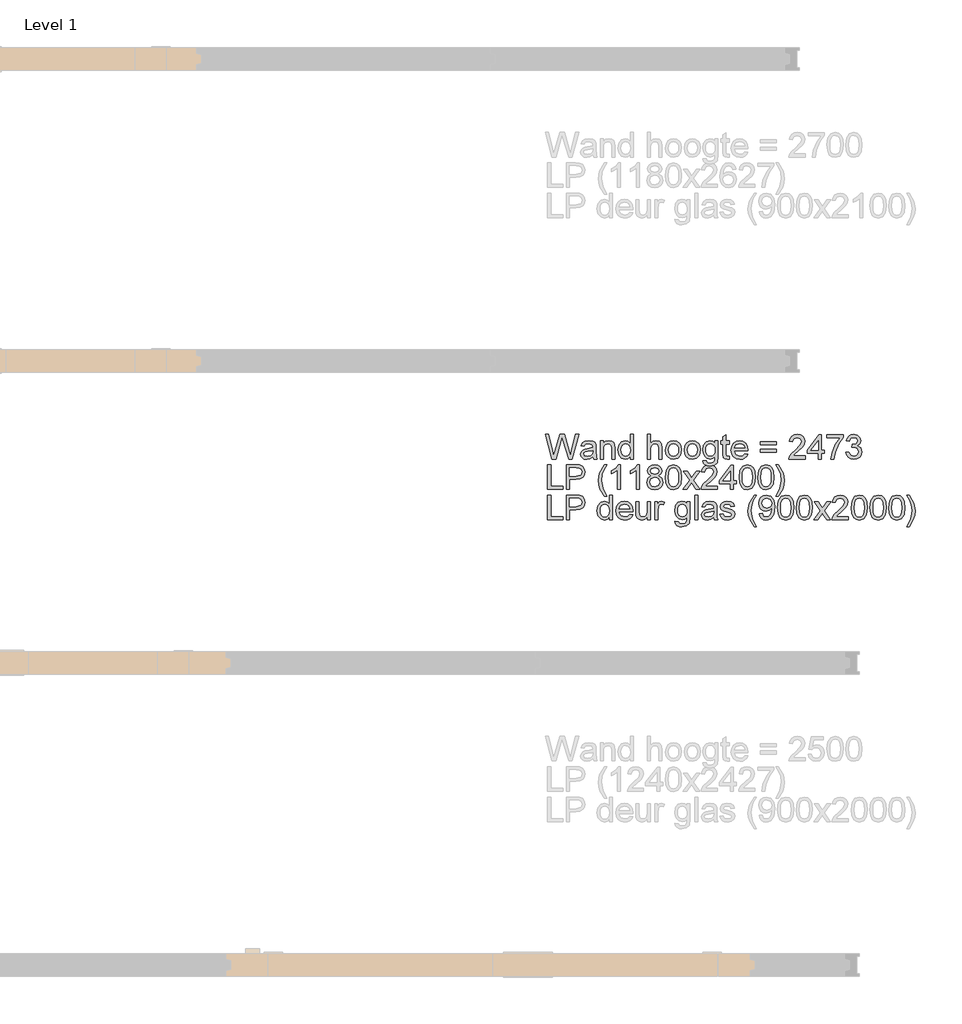
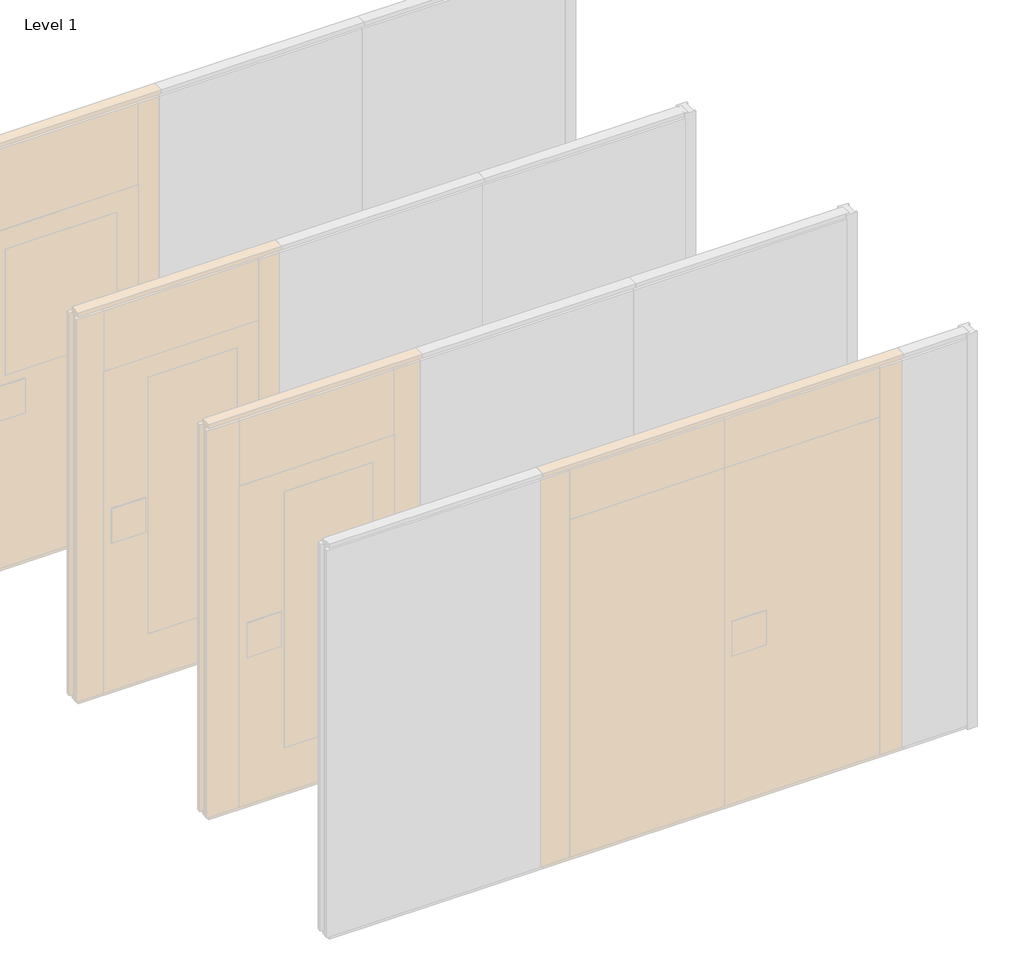
# One storey, part 13 of 17: 1 proxy.
"""IFC4 building model written with IfcOpenShell, lengths in millimetres."""

import ifcopenshell
import ifcopenshell.guid

model = None  # the IFC model being written
_history = None  # IfcOwnerHistory: only IFC2X3 demands one
_inside = {}  # id of a spatial element -> (the spatial element, [elements in it])
_under = {}  # id of a project, library or spatial element -> (it, [spatial elements below it])
_declared = {}  # id of a project -> (the project, [libraries it declares])
_typed = {}  # id of a type object -> (the type object, [elements of that type])
_made_of = {}  # id of a material, layer set ... -> (it, [elements and type objects made of it])


def new_model(schema):
    """Start an empty IFC model of exactly this schema.

    Asked for "IFC4X3", IfcOpenShell would pick the latest addendum, in which some entities
    have other attributes; the version numbers below select the first issue.
    IFC2X3 requires an IfcOwnerHistory on every rooted entity: one is made here for all.
    """
    global model, _history
    if schema == "IFC4X3":
        model = ifcopenshell.file(schema_version=(4, 3, 0, 0))
    else:
        model = ifcopenshell.file(schema=schema)
    _inside.clear()
    _under.clear()
    _declared.clear()
    _typed.clear()
    _made_of.clear()
    _history = None
    if model.schema == "IFC2X3":
        org = make("IfcOrganization", Name="unknown")
        user = make(
            "IfcPersonAndOrganization",
            ThePerson=make("IfcPerson", FamilyName="unknown"),
            TheOrganization=org,
        )
        app = make(
            "IfcApplication",
            ApplicationDeveloper=org,
            Version="unknown",
            ApplicationFullName="unknown",
            ApplicationIdentifier="unknown",
        )
        _history = make(
            "IfcOwnerHistory",
            OwningUser=user,
            OwningApplication=app,
            ChangeAction="ADDED",
            CreationDate=0,
        )
    return model


def make(cls, **values):
    """One entity of the class cls with the attributes given. An attribute that is None is left unset."""
    return model.create_entity(
        cls, **{name: value for name, value in values.items() if value is not None}
    )


def rooted(cls, **values):
    """An entity with a GlobalId (a new one), such as an element, a storey or a relation."""
    return make(cls, GlobalId=ifcopenshell.guid.new(), OwnerHistory=_history, **values)


def si_unit(unit_type, name, prefix=None):
    """IfcSIUnit, for example si_unit("LENGTHUNIT", "METRE", prefix="MILLI")."""
    return make("IfcSIUnit", UnitType=unit_type, Prefix=prefix, Name=name)


def assignment(units):
    """IfcUnitAssignment: the units of a project."""
    return None if units is None else make("IfcUnitAssignment", Units=units)


def point(xyz):
    """IfcCartesianPoint."""
    return None if xyz is None else make("IfcCartesianPoint", Coordinates=xyz)


def direction(xyz):
    """IfcDirection."""
    return None if xyz is None else make("IfcDirection", DirectionRatios=xyz)


def frame(location, z_axis=None, x_axis=None):
    """IfcAxis2Placement3D, a coordinate frame: its origin and axes. An axis left out is left unset."""
    return make(
        "IfcAxis2Placement3D",
        Location=point(location),
        Axis=direction(z_axis),
        RefDirection=direction(x_axis),
    )


def origin():
    """The frame at (0, 0, 0) with its axes left unset."""
    return frame((0.0, 0.0, 0.0))


def origin_with_axes():
    """The frame at (0, 0, 0) with the z axis (0, 0, 1) and the x axis (1, 0, 0) written out."""
    return frame((0.0, 0.0, 0.0), z_axis=(0.0, 0.0, 1.0), x_axis=(1.0, 0.0, 0.0))


def place(relative_to, where):
    """IfcLocalPlacement: puts the frame where relative to a parent placement (None: the world)."""
    return make(
        "IfcLocalPlacement", PlacementRelTo=relative_to, RelativePlacement=where
    )


def context(
    kind, dimensions, precision=None, world=None, true_north=None, identifier=None
):
    """IfcGeometricRepresentationContext, for example the 3D "Model" context."""
    return make(
        "IfcGeometricRepresentationContext",
        ContextIdentifier=identifier,
        ContextType=kind,
        CoordinateSpaceDimension=dimensions,
        Precision=precision,
        WorldCoordinateSystem=world,
        TrueNorth=true_north,
    )


def project(units=None, contexts=None):
    """IfcProject with its units and contexts."""
    return rooted(
        "IfcProject",
        Name="project",
        RepresentationContexts=contexts,
        UnitsInContext=assignment(units),
    )


def spatial(cls, under=None, at=None, **own):
    """A site, building, storey or space (cls), placed at a placement, below another one or the project."""
    s = rooted(cls, ObjectPlacement=at, **own)
    if under is not None:
        _under.setdefault(under.id(), (under, []))[1].append(s)
    return s


def polyline(points):
    """IfcPolyline through the points."""
    return make("IfcPolyline", Points=[point(p) for p in points])


def outline(outer, holes=None, kind="AREA"):
    """IfcArbitraryClosedProfileDef: a profile drawn as a closed curve; with holes, ...WithVoids."""
    if holes is None:
        return make("IfcArbitraryClosedProfileDef", ProfileType=kind, OuterCurve=outer)
    return make(
        "IfcArbitraryProfileDefWithVoids",
        ProfileType=kind,
        OuterCurve=outer,
        InnerCurves=holes,
    )


def extrude(swept, where, along, depth):
    """IfcExtrudedAreaSolid: the profile swept, set in the frame where, extruded along a direction by depth."""
    return make(
        "IfcExtrudedAreaSolid",
        SweptArea=swept,
        Position=where,
        ExtrudedDirection=direction(along),
        Depth=depth,
    )


def shape(context_of_items, identifier, shape_type, items):
    """IfcShapeRepresentation: the items that make up one representation, for example the "Body"."""
    return make(
        "IfcShapeRepresentation",
        ContextOfItems=context_of_items,
        RepresentationIdentifier=identifier,
        RepresentationType=shape_type,
        Items=items,
    )


def made_of(thing, what):
    """Note that an element or type object is made of a material, layer set ...; save() writes the relation."""
    if what is not None:
        _made_of.setdefault(what.id(), (what, []))[1].append(thing)
    return thing


def element(
    cls,
    number,
    at=None,
    inside=None,
    cuts=None,
    type_object=None,
    material=None,
    context=None,
    identifier="Body",
    shape_type=None,
    held_by="IfcProductDefinitionShape",
    body=None,
    shapes=None,
    **own,
):
    """One element of the class cls, such as IfcWall. Its Tag is "e" and its number.

    at: its placement. inside: the storey or other place that contains it. cuts: it is an
    opening in that element (IfcRelVoidsElement). A single representation is given by context,
    identifier, shape_type and body (its items); several are given by shapes. held_by: the class
    of the entity that holds the representations. save() writes the other relations.
    """
    e = rooted(cls, Tag="e%d" % number, ObjectPlacement=at, **own)
    if body is not None:
        shapes = [shape(context, identifier, shape_type, body)]
    if shapes is not None:
        e.Representation = make(held_by, Representations=shapes)
    if inside is not None:
        _inside.setdefault(inside.id(), (inside, []))[1].append(e)
    if cuts is not None:
        rooted(
            "IfcRelVoidsElement", RelatingBuildingElement=cuts, RelatedOpeningElement=e
        )
    if type_object is not None:
        _typed.setdefault(type_object.id(), (type_object, []))[1].append(e)
    return made_of(e, material)


def aggregate(whole, parts):
    """IfcRelAggregates: a whole, such as a stair, and the parts it consists of."""
    return rooted("IfcRelAggregates", RelatingObject=whole, RelatedObjects=parts)


def save(model, path):
    """Write the relations noted so far, then the file.

    IfcRelAggregates (storeys below a building ...), IfcRelContainedInSpatialStructure (elements
    in a storey), IfcRelDefinesByType, IfcRelAssociatesMaterial and IfcRelDeclares: one each for
    every whole, place, type object, material and project.
    """
    for whole, parts in _under.values():
        aggregate(whole, parts)
    for where, things in _inside.values():
        rooted(
            "IfcRelContainedInSpatialStructure",
            RelatedElements=things,
            RelatingStructure=where,
        )
    for kind, things in _typed.values():
        rooted("IfcRelDefinesByType", RelatedObjects=things, RelatingType=kind)
    for what, things in _made_of.values():
        rooted("IfcRelAssociatesMaterial", RelatedObjects=things, RelatingMaterial=what)
    for by, libraries in _declared.values():
        rooted("IfcRelDeclares", RelatingContext=by, RelatedDefinitions=libraries)
    model.write(path)


model = new_model("IFC4")

# Units and contexts
model_context = context("Model", 3, world=origin())
ifc_project = project(units=[si_unit("LENGTHUNIT", "METRE", prefix="MILLI")], contexts=[model_context])

# Site, building, storey
site = spatial("IfcSite", under=ifc_project)
building = spatial("IfcBuilding", under=site)
storey = spatial("IfcBuildingStorey", under=building, Name="Level 1", Elevation=0.0)

# Proxy
placement = place(None, origin())
element("IfcBuildingElementProxy", 1, Name="100 mm", ObjectType="100 mm", at=placement, inside=storey, context=model_context, shape_type="SweptSolid", body=[
    extrude(outline(polyline([(-2181.5016279, 1702.9102169), (-2208.3525894, 1801.3717554), (-2195.6602817, 1801.3717554), (-2180.0833587, 1736.6602169), (-2175.2756664, 1716.6842554), (-2170.1314356, 1734.3525246), (-2150.6122048, 1801.3717554), (-2132.3189356, 1801.3717554), (-2118.1362433, 1752.7900246), (-2107.5833587, 1716.6842554), (-2102.9198971, 1736.0832938), (-2087.1987433, 1801.3717554), (-2074.5064356, 1801.3717554), (-2101.3814356, 1702.9102169), (-2114.530474, 1702.9102169), (-2138.1362433, 1778.8717554), (-2141.4295125, 1789.4727169), (-2145.1314356, 1776.7082938), (-2166.6458587, 1702.9102169), (-2181.5016279, 1702.9102169)])), origin_with_axes(), (0.0, 0.0, 1.0), 5.0),
    extrude(outline(polyline([(-2017.5833587, 1712.1409861), (-2029.5184548, 1703.79964), (-2042.703551, 1701.3717554), (-2052.9890077, 1702.8320919), (-2060.5761471, 1707.2131015), (-2065.2546327, 1713.8657457), (-2066.8141279, 1722.1409861), (-2064.4583587, 1731.8765631), (-2058.2684548, 1738.9438707), (-2049.6506664, 1742.9823323), (-2039.0016279, 1744.8332938), (-2017.655474, 1749.0640631), (-2017.5833587, 1751.8044477), (-2020.9727817, 1760.8909861), (-2034.578551, 1764.4486784), (-2047.030474, 1762.08089), (-2052.967974, 1753.6794477), (-2065.2756664, 1755.2179092), (-2059.9511471, 1767.23714), (-2049.2299933, 1774.2804092), (-2032.9920125, 1776.7563707), (-2018.0761471, 1774.5688707), (-2009.6506664, 1769.0760823), (-2005.8766279, 1760.7227169), (-2005.2756664, 1749.9534861), (-2005.2756664, 1734.6409861), (-2004.6506664, 1713.2587746), (-2002.1987433, 1702.9102169), (-2014.5064356, 1702.9102169), (-2017.5833587, 1712.1409861)]), holes=[polyline([(-2017.5833587, 1736.7563707), (-2037.4391279, 1732.9823323), (-2048.0280702, 1730.98714), (-2052.8237433, 1727.7419477), (-2054.5064356, 1723.0063707), (-2050.8405702, 1716.3477169), (-2040.0833587, 1713.6794477), (-2027.6314356, 1716.6241592), (-2019.6025894, 1723.7515631), (-2017.655474, 1733.2707938), (-2017.5833587, 1736.7563707)])]), origin_with_axes(), (0.0, 0.0, 1.0), 5.0),
    extrude(outline(polyline([(-1988.3525894, 1702.9102169), (-1988.3525894, 1775.2179092), (-1976.0448971, 1775.2179092), (-1976.0448971, 1765.1217554), (-1966.6338394, 1773.8477169), (-1953.7852817, 1776.7563707), (-1942.1626856, 1774.4126207), (-1934.2299933, 1768.2587746), (-1930.5400894, 1759.2082938), (-1929.891051, 1747.3092554), (-1929.891051, 1702.9102169), (-1942.1987433, 1702.9102169), (-1942.1987433, 1745.6506015), (-1943.6170125, 1756.5400246), (-1948.6290317, 1762.2972361), (-1957.078551, 1764.4486784), (-1970.4319164, 1759.6169477), (-1974.6416519, 1752.6157457), (-1976.0448971, 1741.2756015), (-1976.0448971, 1702.9102169), (-1988.3525894, 1702.9102169)])), origin_with_axes(), (0.0, 0.0, 1.0), 5.0),
    extrude(outline(polyline([(-1868.3525894, 1702.9102169), (-1868.3525894, 1714.5207938), (-1876.4956183, 1704.659015), (-1887.7516279, 1701.3717554), (-1902.9920125, 1706.1313707), (-1913.7612433, 1719.4126207), (-1917.5833587, 1738.9919477), (-1914.061724, 1758.5832938), (-1903.5088394, 1772.0688707), (-1887.7997048, 1776.7563707), (-1876.453551, 1773.4030054), (-1868.3525894, 1764.6890631), (-1868.3525894, 1801.3717554), (-1856.0448971, 1801.3717554), (-1856.0448971, 1702.9102169), (-1868.3525894, 1702.9102169)]), holes=[polyline([(-1905.2756664, 1739.0400246), (-1903.8874452, 1727.9072121), (-1899.7227817, 1719.9895438), (-1893.671099, 1715.2569717), (-1886.6218202, 1713.6794477), (-1879.5755462, 1715.1848563), (-1873.6771087, 1719.7010823), (-1869.6837192, 1727.3122602), (-1868.3525894, 1738.1025246), (-1869.7077577, 1749.8993996), (-1873.7732625, 1758.0784861), (-1879.8219404, 1762.8561304), (-1887.1266279, 1764.4486784), (-1894.2480221, 1762.9192313), (-1900.0833587, 1758.33089), (-1903.9775894, 1750.4492794), (-1905.2756664, 1739.0400246)])]), origin_with_axes(), (0.0, 0.0, 1.0), 5.0),
    extrude(outline(polyline([(-1799.1218202, 1702.9102169), (-1799.1218202, 1801.3717554), (-1786.8141279, 1801.3717554), (-1786.8141279, 1765.1698323), (-1777.2167721, 1773.8597361), (-1765.3958587, 1776.7563707), (-1751.5737433, 1773.5953131), (-1743.1843202, 1764.8573323), (-1740.6602817, 1748.6794477), (-1740.6602817, 1702.9102169), (-1752.967974, 1702.9102169), (-1752.967974, 1747.4054092), (-1756.8862433, 1760.3861784), (-1767.9920125, 1764.4486784), (-1778.0761471, 1761.7082938), (-1784.8069164, 1754.2804092), (-1786.8141279, 1741.3236784), (-1786.8141279, 1702.9102169), (-1799.1218202, 1702.9102169)])), origin_with_axes(), (0.0, 0.0, 1.0), 5.0),
    extrude(outline(polyline([(-1726.8141279, 1739.0640631), (-1724.1518683, 1756.4979573), (-1716.1650894, 1768.7515631), (-1706.297301, 1774.7551688), (-1694.4823971, 1776.7563707), (-1681.5527096, 1774.3194717), (-1671.2251856, 1767.0087746), (-1664.4553539, 1755.4012025), (-1662.1987433, 1740.0736784), (-1666.1891279, 1718.17464), (-1677.811724, 1705.7828131), (-1694.4823971, 1701.3717554), (-1707.5683346, 1703.79964), (-1717.8838394, 1711.0832938), (-1724.5815558, 1722.9342554), (-1726.8141279, 1739.0640631)]), holes=[polyline([(-1714.5064356, 1739.0881015), (-1713.0821567, 1727.9492794), (-1708.8093202, 1720.0135823), (-1702.3790317, 1715.2629813), (-1694.4823971, 1713.6794477), (-1686.6218202, 1715.2719957), (-1680.203551, 1720.04964), (-1675.9307144, 1728.0905054), (-1674.5064356, 1739.4727169), (-1675.9397289, 1750.2870198), (-1680.2396087, 1758.1145438), (-1686.6668923, 1762.8651448), (-1694.4823971, 1764.4486784), (-1702.3790317, 1762.8711544), (-1708.8093202, 1758.1385823), (-1713.0821567, 1750.220914), (-1714.5064356, 1739.0881015)])]), origin_with_axes(), (0.0, 0.0, 1.0), 5.0),
    extrude(outline(polyline([(-1651.4295125, 1739.0640631), (-1648.7672529, 1756.4979573), (-1640.780474, 1768.7515631), (-1630.9126856, 1774.7551688), (-1619.0977817, 1776.7563707), (-1606.1680942, 1774.3194717), (-1595.8405702, 1767.0087746), (-1589.0707385, 1755.4012025), (-1586.8141279, 1740.0736784), (-1590.8045125, 1718.17464), (-1602.4271087, 1705.7828131), (-1619.0977817, 1701.3717554), (-1632.1837192, 1703.79964), (-1642.499224, 1711.0832938), (-1649.1969404, 1722.9342554), (-1651.4295125, 1739.0640631)]), holes=[polyline([(-1639.1218202, 1739.0881015), (-1637.6975414, 1727.9492794), (-1633.4247048, 1720.0135823), (-1626.9944164, 1715.2629813), (-1619.0977817, 1713.6794477), (-1611.2372048, 1715.2719957), (-1604.8189356, 1720.04964), (-1600.546099, 1728.0905054), (-1599.1218202, 1739.4727169), (-1600.5551135, 1750.2870198), (-1604.8549933, 1758.1145438), (-1611.2822769, 1762.8651448), (-1619.0977817, 1764.4486784), (-1626.9944164, 1762.8711544), (-1633.4247048, 1758.1385823), (-1637.6975414, 1750.220914), (-1639.1218202, 1739.0881015)])]), origin_with_axes(), (0.0, 0.0, 1.0), 5.0),
    extrude(outline(polyline([(-1576.0448971, 1696.7563707), (-1563.7372048, 1695.2179092), (-1559.7468202, 1688.7275246), (-1547.7997048, 1685.98714), (-1535.203551, 1689.0881015), (-1529.1939356, 1697.7900246), (-1528.3525894, 1712.1409861), (-1537.0184548, 1705.2179092), (-1547.5833587, 1702.9102169), (-1560.2726615, 1705.596515), (-1569.734801, 1713.6554092), (-1575.6212192, 1725.4703131), (-1577.5833587, 1739.42464), (-1574.061724, 1758.4991592), (-1563.8694164, 1771.9967554), (-1548.1843202, 1776.7563707), (-1537.2047529, 1774.0640631), (-1528.3525894, 1765.98714), (-1528.3525894, 1775.2179092), (-1516.0448971, 1775.2179092), (-1516.0448971, 1712.7900246), (-1519.4102817, 1688.8837746), (-1530.0713394, 1677.7659861), (-1548.0400894, 1673.6794477), (-1559.4914115, 1675.1187506), (-1568.5088394, 1679.4366592), (-1574.2930942, 1686.6451929), (-1576.0448971, 1696.7563707)]), holes=[polyline([(-1565.2756664, 1740.2659861), (-1563.9625654, 1728.9769236), (-1560.0232625, 1721.2155054), (-1554.1007865, 1716.7173082), (-1546.8381664, 1715.2179092), (-1539.6296327, 1716.7082938), (-1533.6771087, 1721.1794477), (-1529.6837192, 1728.8417073), (-1528.3525894, 1739.9054092), (-1529.7227817, 1750.5754813), (-1533.8333587, 1758.2587746), (-1539.8730221, 1762.9012025), (-1547.030474, 1764.4486784), (-1554.0587192, 1762.9252409), (-1559.9511471, 1758.3549284), (-1563.9445365, 1750.7858179), (-1565.2756664, 1740.2659861)])]), origin_with_axes(), (0.0, 0.0, 1.0), 5.0),
    extrude(outline(polyline([(-1471.4295125, 1713.17464), (-1469.891051, 1702.54964), (-1479.0977817, 1701.3717554), (-1489.4102817, 1703.4150246), (-1494.5545125, 1708.7756015), (-1496.0448971, 1722.7419477), (-1496.0448971, 1762.9102169), (-1505.2756664, 1762.9102169), (-1505.2756664, 1775.2179092), (-1496.0448971, 1775.2179092), (-1496.0448971, 1792.7900246), (-1483.7372048, 1800.0256015), (-1483.7372048, 1775.2179092), (-1471.4295125, 1775.2179092), (-1471.4295125, 1762.9102169), (-1483.7372048, 1762.9102169), (-1483.7372048, 1723.1025246), (-1483.0881664, 1716.7563707), (-1480.984801, 1714.5087746), (-1476.7900894, 1713.6794477), (-1471.4295125, 1713.17464)])), origin_with_axes(), (0.0, 0.0, 1.0), 5.0),
    extrude(outline(polyline([(-1408.4968202, 1724.4486784), (-1396.4295125, 1722.9102169), (-1400.7774692, 1713.8176688), (-1407.7155702, 1707.0207938), (-1417.0875654, 1702.784015), (-1428.7372048, 1701.3717554), (-1443.1783106, 1703.8086544), (-1454.2900894, 1711.1193515), (-1461.375426, 1722.8290871), (-1463.7372048, 1738.4631015), (-1461.3513875, 1754.6229573), (-1454.1939356, 1766.7082938), (-1443.2323971, 1774.2443515), (-1429.4343202, 1776.7563707), (-1416.0659308, 1774.2503611), (-1405.3838394, 1766.7323323), (-1398.3796327, 1754.6710342), (-1396.0448971, 1738.5352169), (-1396.1170125, 1735.2179092), (-1451.4295125, 1735.2179092), (-1449.2991039, 1726.0051688), (-1444.3501856, 1719.2323323), (-1428.4968202, 1713.6794477), (-1416.4295125, 1716.2515631), (-1408.4968202, 1724.4486784)]), holes=[polyline([(-1451.4295125, 1747.5256015), (-1408.3525894, 1747.5256015), (-1413.280474, 1758.6794477), (-1420.4559548, 1763.0063707), (-1429.4823971, 1764.4486784), (-1444.6386471, 1759.8453131), (-1451.4295125, 1747.5256015)])]), origin_with_axes(), (0.0, 0.0, 1.0), 5.0),
    extrude(outline(polyline([(-1282.1987433, 1759.8332938), (-1346.8141279, 1759.8332938), (-1346.8141279, 1772.1409861), (-1282.1987433, 1772.1409861), (-1282.1987433, 1759.8332938)])), origin_with_axes(), (0.0, 0.0, 1.0), 5.0),
    extrude(outline(polyline([(-1282.1987433, 1730.6025246), (-1346.8141279, 1730.6025246), (-1346.8141279, 1742.9102169), (-1282.1987433, 1742.9102169), (-1282.1987433, 1730.6025246)])), origin_with_axes(), (0.0, 0.0, 1.0), 5.0),
    extrude(outline(polyline([(-1166.8141279, 1715.2179092), (-1166.8141279, 1702.9102169), (-1231.4295125, 1702.9102169), (-1230.1073971, 1711.3957938), (-1222.6314356, 1724.4606977), (-1207.2227817, 1738.7275246), (-1185.9727817, 1759.2323323), (-1180.6602817, 1773.17464), (-1185.672301, 1784.4606977), (-1198.7612433, 1789.0640631), (-1212.4030702, 1784.5688707), (-1217.5833587, 1772.1409861), (-1229.891051, 1773.6794477), (-1226.9072769, 1785.5844957), (-1220.4559548, 1794.2804092), (-1210.8736231, 1799.5989188), (-1198.4968202, 1801.3717554), (-1186.0298731, 1799.4006015), (-1176.4655702, 1793.48714), (-1170.3808346, 1784.6530054), (-1168.3525894, 1773.9198323), (-1170.5400894, 1762.2491592), (-1177.811724, 1750.1818515), (-1195.4439356, 1733.3188707), (-1209.6025894, 1721.4799284), (-1215.155474, 1715.2179092), (-1166.8141279, 1715.2179092)])), origin_with_axes(), (0.0, 0.0, 1.0), 5.0),
    extrude(outline(polyline([(-1114.5064356, 1702.9102169), (-1114.5064356, 1725.98714), (-1159.1218202, 1725.98714), (-1159.1218202, 1738.2948323), (-1111.4295125, 1799.8332938), (-1102.1987433, 1799.8332938), (-1102.1987433, 1738.2948323), (-1089.891051, 1738.2948323), (-1089.891051, 1725.98714), (-1102.1987433, 1725.98714), (-1102.1987433, 1702.9102169), (-1114.5064356, 1702.9102169)]), holes=[polyline([(-1114.5064356, 1738.2948323), (-1114.5064356, 1776.3236784), (-1143.9775894, 1738.2948323), (-1114.5064356, 1738.2948323)])]), origin_with_axes(), (0.0, 0.0, 1.0), 5.0),
    extrude(outline(polyline([(-1079.1218202, 1787.5256015), (-1079.1218202, 1799.8332938), (-1014.5064356, 1799.8332938), (-1014.5064356, 1789.8813707), (-1032.8357625, 1763.4030054), (-1046.8622048, 1729.6650246), (-1051.4295125, 1702.9102169), (-1063.7372048, 1702.9102169), (-1058.8453779, 1730.67464), (-1045.4198971, 1762.0568515), (-1026.8141279, 1787.5256015), (-1079.1218202, 1787.5256015)])), origin_with_axes(), (0.0, 0.0, 1.0), 5.0),
    extrude(outline(polyline([(-1003.7372048, 1729.0640631), (-991.4295125, 1730.6025246), (-984.6386471, 1717.6457938), (-971.9343202, 1713.6794477), (-963.4968202, 1715.0436304), (-956.9823971, 1719.1361784), (-951.4295125, 1732.6457938), (-956.9343202, 1745.3741592), (-970.9247048, 1750.4102169), (-979.5545125, 1749.0640631), (-978.1843202, 1761.3717554), (-976.2131664, 1761.2275246), (-962.2468202, 1764.7611784), (-957.5953779, 1769.2443515), (-956.0448971, 1775.6265631), (-960.5400894, 1785.2539669), (-972.1266279, 1789.0640631), (-983.8573971, 1785.2179092), (-989.891051, 1773.6794477), (-1002.1987433, 1775.2179092), (-998.5749452, 1786.2695919), (-992.1266279, 1794.5207938), (-983.3045125, 1799.659015), (-972.5593202, 1801.3717554), (-957.7155702, 1797.9943515), (-947.3309548, 1788.7635823), (-943.7372048, 1776.3477169), (-947.1506664, 1765.0015631), (-957.2468202, 1756.8525246), (-943.8333587, 1748.4390631), (-939.1218202, 1732.4294477), (-941.4775894, 1720.4342554), (-948.5448971, 1710.4102169), (-959.2119644, 1703.6313707), (-972.3670125, 1701.3717554), (-984.266051, 1703.3008419), (-993.953551, 1709.0881015), (-1000.6903298, 1717.940265), (-1003.7372048, 1729.0640631)])), origin_with_axes(), (0.0, 0.0, 1.0), 5.0),
    extrude(outline(polyline([(-2199.1218202, 1581.3717554), (-2199.1218202, 1679.8332938), (-2186.8141279, 1679.8332938), (-2186.8141279, 1593.6794477), (-2137.5833587, 1593.6794477), (-2137.5833587, 1581.3717554), (-2199.1218202, 1581.3717554)])), origin_with_axes(), (0.0, 0.0, 1.0), 5.0),
    extrude(outline(polyline([(-2123.7372048, 1581.3717554), (-2123.7372048, 1679.8332938), (-2087.2468202, 1679.8332938), (-2072.5352817, 1678.8957938), (-2060.5761471, 1674.2924284), (-2052.8237433, 1664.7731977), (-2049.891051, 1651.3477169), (-2051.8712192, 1639.7431496), (-2057.811724, 1630.0736784), (-2068.9204981, 1623.5472361), (-2086.405474, 1621.3717554), (-2111.4295125, 1621.3717554), (-2111.4295125, 1581.3717554), (-2123.7372048, 1581.3717554)]), holes=[polyline([(-2111.4295125, 1633.6794477), (-2085.6843202, 1633.6794477), (-2067.5593202, 1638.1986784), (-2063.5388875, 1643.6373804), (-2062.1987433, 1650.9150246), (-2065.359801, 1661.1073323), (-2073.6650894, 1666.6842554), (-2085.9727817, 1667.5256015), (-2111.4295125, 1667.5256015), (-2111.4295125, 1633.6794477)])]), origin_with_axes(), (0.0, 0.0, 1.0), 5.0),
    extrude(outline(polyline([(-1971.4295125, 1553.6794477), (-1988.905474, 1582.54964), (-1994.2600414, 1599.3885823), (-1996.0448971, 1616.8284861), (-1990.7083587, 1646.7563707), (-1971.4295125, 1679.8332938), (-1962.1987433, 1679.8332938), (-1973.7131664, 1660.3381015), (-1980.6362433, 1641.4438707), (-1983.7372048, 1616.7563707), (-1978.3525894, 1585.20589), (-1962.1987433, 1553.6794477), (-1971.4295125, 1553.6794477)])), origin_with_axes(), (0.0, 0.0, 1.0), 5.0),
    extrude(outline(polyline([(-1906.8141279, 1581.3717554), (-1919.1218202, 1581.3717554), (-1919.1218202, 1658.1025246), (-1930.780474, 1649.7972361), (-1943.7372048, 1643.5832938), (-1943.7372048, 1655.2179092), (-1925.6963394, 1666.7323323), (-1914.7468202, 1679.8332938), (-1906.8141279, 1679.8332938), (-1906.8141279, 1581.3717554)])), origin_with_axes(), (0.0, 0.0, 1.0), 5.0),
    extrude(outline(polyline([(-1831.4295125, 1581.3717554), (-1843.7372048, 1581.3717554), (-1843.7372048, 1658.1025246), (-1855.3958587, 1649.7972361), (-1868.3525894, 1643.5832938), (-1868.3525894, 1655.2179092), (-1850.311724, 1666.7323323), (-1839.3622048, 1679.8332938), (-1831.4295125, 1679.8332938), (-1831.4295125, 1581.3717554)])), origin_with_axes(), (0.0, 0.0, 1.0), 5.0),
    extrude(outline(polyline([(-1784.266051, 1635.6025246), (-1795.4799933, 1643.2467554), (-1799.1218202, 1655.1457938), (-1797.1386471, 1664.7671881), (-1791.1891279, 1672.7179092), (-1781.9403298, 1678.0544477), (-1770.0593202, 1679.8332938), (-1758.1061952, 1678.0123804), (-1748.7372048, 1672.54964), (-1742.6795125, 1664.4727169), (-1740.6602817, 1654.8092554), (-1744.2540317, 1643.2106977), (-1755.155474, 1635.6025246), (-1742.0665317, 1625.9510823), (-1737.5833587, 1610.0256015), (-1739.8069164, 1598.2587746), (-1746.4775894, 1588.5352169), (-1756.7780702, 1582.0087746), (-1769.891051, 1579.8332938), (-1783.0040317, 1582.017789), (-1793.3045125, 1588.5712746), (-1799.9751856, 1598.3879813), (-1802.1987433, 1610.36214), (-1797.5352817, 1626.6602169), (-1784.266051, 1635.6025246)]), holes=[polyline([(-1789.891051, 1610.7948323), (-1787.8357625, 1601.5280054), (-1780.5641279, 1594.5929092), (-1769.7948971, 1592.1409861), (-1755.1314356, 1597.2972361), (-1749.891051, 1610.4102169), (-1755.2997048, 1623.7756015), (-1761.7299933, 1627.7419477), (-1770.203551, 1629.0640631), (-1784.686724, 1623.8477169), (-1789.891051, 1610.7948323)]), polyline([(-1786.8141279, 1654.7852169), (-1782.4511471, 1645.1217554), (-1769.7468202, 1641.3717554), (-1757.2948971, 1645.0977169), (-1752.967974, 1654.2323323), (-1757.4391279, 1663.6914669), (-1769.891051, 1667.5256015), (-1782.3790317, 1663.7756015), (-1786.8141279, 1654.7852169)])]), origin_with_axes(), (0.0, 0.0, 1.0), 5.0),
    extrude(outline(polyline([(-1726.8141279, 1629.8092554), (-1723.1963394, 1658.1385823), (-1712.4511471, 1674.4727169), (-1694.5064356, 1679.8332938), (-1680.1314356, 1676.6602169), (-1670.203551, 1667.5135823), (-1664.4343202, 1652.9462746), (-1662.1987433, 1629.8092554), (-1665.780474, 1601.6001207), (-1676.4896087, 1585.2299284), (-1694.5064356, 1579.8332938), (-1707.2948971, 1582.1770438), (-1717.0064356, 1589.2082938), (-1724.3622048, 1605.8609381), (-1726.8141279, 1629.8092554)]), holes=[polyline([(-1714.5064356, 1629.8332938), (-1713.0641279, 1610.4733179), (-1708.7372048, 1599.26839), (-1702.2948971, 1593.9228371), (-1694.5064356, 1592.1409861), (-1686.717974, 1593.9288467), (-1680.2756664, 1599.2924284), (-1675.9487433, 1610.5033659), (-1674.5064356, 1629.8332938), (-1675.9006664, 1648.7575727), (-1680.0833587, 1660.04964), (-1686.5136471, 1665.6566111), (-1694.6506664, 1667.5256015), (-1702.3549933, 1665.8789669), (-1708.5448971, 1660.9390631), (-1713.016051, 1648.9438707), (-1714.5064356, 1629.8332938)])]), origin_with_axes(), (0.0, 0.0, 1.0), 5.0),
    extrude(outline(polyline([(-1656.0448971, 1581.3717554), (-1629.7468202, 1617.7179092), (-1654.5064356, 1653.6794477), (-1639.6987433, 1653.6794477), (-1627.7516279, 1636.3717554), (-1622.1747048, 1628.1986784), (-1617.342974, 1634.8813707), (-1603.7372048, 1653.6794477), (-1588.9295125, 1653.6794477), (-1614.9391279, 1617.7179092), (-1589.891051, 1581.3717554), (-1604.6987433, 1581.3717554), (-1619.7708587, 1603.2227169), (-1622.5352817, 1607.2131015), (-1641.2372048, 1581.3717554), (-1656.0448971, 1581.3717554)])), origin_with_axes(), (0.0, 0.0, 1.0), 5.0),
    extrude(outline(polyline([(-1519.1218202, 1593.6794477), (-1519.1218202, 1581.3717554), (-1583.7372048, 1581.3717554), (-1582.4150894, 1589.8573323), (-1574.9391279, 1602.9222361), (-1559.530474, 1617.1890631), (-1538.280474, 1637.6938707), (-1532.967974, 1651.6361784), (-1537.9799933, 1662.9222361), (-1551.0689356, 1667.5256015), (-1564.7107625, 1663.0304092), (-1569.891051, 1650.6025246), (-1582.1987433, 1652.1409861), (-1579.2149692, 1664.0460342), (-1572.7636471, 1672.7419477), (-1563.1813154, 1678.0604573), (-1550.8045125, 1679.8332938), (-1538.3375654, 1677.86214), (-1528.7732625, 1671.9486784), (-1522.6885269, 1663.1145438), (-1520.6602817, 1652.3813707), (-1522.8477817, 1640.7106977), (-1530.1194164, 1628.64339), (-1547.7516279, 1611.7804092), (-1561.9102817, 1599.9414669), (-1567.4631664, 1593.6794477), (-1519.1218202, 1593.6794477)])), origin_with_axes(), (0.0, 0.0, 1.0), 5.0),
    extrude(outline(polyline([(-1466.8141279, 1581.3717554), (-1466.8141279, 1604.4486784), (-1511.4295125, 1604.4486784), (-1511.4295125, 1616.7563707), (-1463.7372048, 1678.2948323), (-1454.5064356, 1678.2948323), (-1454.5064356, 1616.7563707), (-1442.1987433, 1616.7563707), (-1442.1987433, 1604.4486784), (-1454.5064356, 1604.4486784), (-1454.5064356, 1581.3717554), (-1466.8141279, 1581.3717554)]), holes=[polyline([(-1466.8141279, 1616.7563707), (-1466.8141279, 1654.7852169), (-1496.2852817, 1616.7563707), (-1466.8141279, 1616.7563707)])]), origin_with_axes(), (0.0, 0.0, 1.0), 5.0),
    extrude(outline(polyline([(-1431.4295125, 1629.8092554), (-1427.811724, 1658.1385823), (-1417.0665317, 1674.4727169), (-1399.1218202, 1679.8332938), (-1384.7468202, 1676.6602169), (-1374.8189356, 1667.5135823), (-1369.0497048, 1652.9462746), (-1366.8141279, 1629.8092554), (-1370.3958587, 1601.6001207), (-1381.1049933, 1585.2299284), (-1399.1218202, 1579.8332938), (-1411.9102817, 1582.1770438), (-1421.6218202, 1589.2082938), (-1428.9775894, 1605.8609381), (-1431.4295125, 1629.8092554)]), holes=[polyline([(-1419.1218202, 1629.8332938), (-1417.6795125, 1610.4733179), (-1413.3525894, 1599.26839), (-1406.9102817, 1593.9228371), (-1399.1218202, 1592.1409861), (-1391.3333587, 1593.9288467), (-1384.891051, 1599.2924284), (-1380.5641279, 1610.5033659), (-1379.1218202, 1629.8332938), (-1380.516051, 1648.7575727), (-1384.6987433, 1660.04964), (-1391.1290317, 1665.6566111), (-1399.266051, 1667.5256015), (-1406.9703779, 1665.8789669), (-1413.1602817, 1660.9390631), (-1417.6314356, 1648.9438707), (-1419.1218202, 1629.8332938)])]), origin_with_axes(), (0.0, 0.0, 1.0), 5.0),
    extrude(outline(polyline([(-1356.0448971, 1629.8092554), (-1352.4271087, 1658.1385823), (-1341.6819164, 1674.4727169), (-1323.7372048, 1679.8332938), (-1309.3622048, 1676.6602169), (-1299.4343202, 1667.5135823), (-1293.6650894, 1652.9462746), (-1291.4295125, 1629.8092554), (-1295.0112433, 1601.6001207), (-1305.7203779, 1585.2299284), (-1323.7372048, 1579.8332938), (-1336.5256664, 1582.1770438), (-1346.2372048, 1589.2082938), (-1353.592974, 1605.8609381), (-1356.0448971, 1629.8092554)]), holes=[polyline([(-1343.7372048, 1629.8332938), (-1342.2948971, 1610.4733179), (-1337.967974, 1599.26839), (-1331.5256664, 1593.9228371), (-1323.7372048, 1592.1409861), (-1315.9487433, 1593.9288467), (-1309.5064356, 1599.2924284), (-1305.1795125, 1610.5033659), (-1303.7372048, 1629.8332938), (-1305.1314356, 1648.7575727), (-1309.3141279, 1660.04964), (-1315.7444164, 1665.6566111), (-1323.8814356, 1667.5256015), (-1331.5857625, 1665.8789669), (-1337.7756664, 1660.9390631), (-1342.2468202, 1648.9438707), (-1343.7372048, 1629.8332938)])]), origin_with_axes(), (0.0, 0.0, 1.0), 5.0),
    extrude(outline(polyline([(-1274.5064356, 1553.6794477), (-1283.7372048, 1553.6794477), (-1267.5833587, 1585.20589), (-1262.1987433, 1616.7563707), (-1265.2997048, 1641.2275246), (-1272.1506664, 1660.1457938), (-1283.7372048, 1679.8332938), (-1274.5064356, 1679.8332938), (-1255.2275894, 1646.7563707), (-1249.891051, 1616.8284861), (-1251.6849212, 1599.3885823), (-1257.0665317, 1582.54964), (-1274.5064356, 1553.6794477)])), origin_with_axes(), (0.0, 0.0, 1.0), 5.0),
    extrude(outline(polyline([(-2199.1218202, 1459.8332938), (-2199.1218202, 1558.2948323), (-2186.8141279, 1558.2948323), (-2186.8141279, 1472.1409861), (-2137.5833587, 1472.1409861), (-2137.5833587, 1459.8332938), (-2199.1218202, 1459.8332938)])), origin_with_axes(), (0.0, 0.0, 1.0), 5.0),
    extrude(outline(polyline([(-2123.7372048, 1459.8332938), (-2123.7372048, 1558.2948323), (-2087.2468202, 1558.2948323), (-2072.5352817, 1557.3573323), (-2060.5761471, 1552.7539669), (-2052.8237433, 1543.2347361), (-2049.891051, 1529.8092554), (-2051.8712192, 1518.2046881), (-2057.811724, 1508.5352169), (-2068.9204981, 1502.0087746), (-2086.405474, 1499.8332938), (-2111.4295125, 1499.8332938), (-2111.4295125, 1459.8332938), (-2123.7372048, 1459.8332938)]), holes=[polyline([(-2111.4295125, 1512.1409861), (-2085.6843202, 1512.1409861), (-2067.5593202, 1516.6602169), (-2063.5388875, 1522.0989188), (-2062.1987433, 1529.3765631), (-2065.359801, 1539.5688707), (-2073.6650894, 1545.1457938), (-2085.9727817, 1545.98714), (-2111.4295125, 1545.98714), (-2111.4295125, 1512.1409861)])]), origin_with_axes(), (0.0, 0.0, 1.0), 5.0),
    extrude(outline(polyline([(-1951.4295125, 1459.8332938), (-1951.4295125, 1471.4438707), (-1959.5725414, 1461.5820919), (-1970.828551, 1458.2948323), (-1986.0689356, 1463.0544477), (-1996.8381664, 1476.3356977), (-2000.6602817, 1495.9150246), (-1997.1386471, 1515.5063707), (-1986.5857625, 1528.9919477), (-1970.8766279, 1533.6794477), (-1959.530474, 1530.3260823), (-1951.4295125, 1521.61214), (-1951.4295125, 1558.2948323), (-1939.1218202, 1558.2948323), (-1939.1218202, 1459.8332938), (-1951.4295125, 1459.8332938)]), holes=[polyline([(-1988.3525894, 1495.9631015), (-1986.9643683, 1484.830289), (-1982.7997048, 1476.9126207), (-1976.7480221, 1472.1800486), (-1969.6987433, 1470.6025246), (-1962.6524692, 1472.1079332), (-1956.7540317, 1476.6241592), (-1952.7606423, 1484.2353371), (-1951.4295125, 1495.0256015), (-1952.7846808, 1506.8224765), (-1956.8501856, 1515.0015631), (-1962.8988635, 1519.7792073), (-1970.203551, 1521.3717554), (-1977.3249452, 1519.8423082), (-1983.1602817, 1515.2539669), (-1987.0545125, 1507.3723563), (-1988.3525894, 1495.9631015)])]), origin_with_axes(), (0.0, 0.0, 1.0), 5.0),
    extrude(outline(polyline([(-1870.0352817, 1481.3717554), (-1857.967974, 1479.8332938), (-1862.3159308, 1470.7407457), (-1869.2540317, 1463.9438707), (-1878.6260269, 1459.7070919), (-1890.2756664, 1458.2948323), (-1904.7167721, 1460.7317313), (-1915.828551, 1468.0424284), (-1922.9138875, 1479.752164), (-1925.2756664, 1495.3861784), (-1922.889849, 1511.5460342), (-1915.7323971, 1523.6313707), (-1904.7708587, 1531.1674284), (-1890.9727817, 1533.6794477), (-1877.6043923, 1531.1734381), (-1866.922301, 1523.6554092), (-1859.9180942, 1511.5941111), (-1857.5833587, 1495.4582938), (-1857.655474, 1492.1409861), (-1912.967974, 1492.1409861), (-1910.8375654, 1482.9282457), (-1905.8886471, 1476.1554092), (-1890.0352817, 1470.6025246), (-1877.967974, 1473.17464), (-1870.0352817, 1481.3717554)]), holes=[polyline([(-1912.967974, 1504.4486784), (-1869.891051, 1504.4486784), (-1874.8189356, 1515.6025246), (-1881.9944164, 1519.9294477), (-1891.0208587, 1521.3717554), (-1906.1771087, 1516.76839), (-1912.967974, 1504.4486784)])]), origin_with_axes(), (0.0, 0.0, 1.0), 5.0),
    extrude(outline(polyline([(-1799.1218202, 1459.8332938), (-1799.1218202, 1472.2611784), (-1808.7612433, 1461.7864188), (-1821.3333587, 1458.2948323), (-1832.9078779, 1460.7467554), (-1840.8886471, 1466.9006015), (-1844.5545125, 1475.9631015), (-1845.2756664, 1487.4054092), (-1845.2756664, 1532.1409861), (-1832.967974, 1532.1409861), (-1832.967974, 1493.1986784), (-1832.2227817, 1480.6506015), (-1827.3549933, 1473.2828131), (-1818.1843202, 1470.6025246), (-1807.9078779, 1473.3429092), (-1801.1170125, 1480.8068515), (-1799.1218202, 1494.5207938), (-1799.1218202, 1532.1409861), (-1786.8141279, 1532.1409861), (-1786.8141279, 1459.8332938), (-1799.1218202, 1459.8332938)])), origin_with_axes(), (0.0, 0.0, 1.0), 5.0),
    extrude(outline(polyline([(-1769.891051, 1459.8332938), (-1769.891051, 1532.1409861), (-1759.1218202, 1532.1409861), (-1759.1218202, 1521.4438707), (-1751.4775894, 1531.29964), (-1743.7852817, 1533.6794477), (-1731.4295125, 1529.8813707), (-1735.5400894, 1518.8477169), (-1744.1939356, 1521.3717554), (-1751.1530702, 1518.9438707), (-1755.5881664, 1512.2131015), (-1757.5833587, 1497.8381015), (-1757.5833587, 1459.8332938), (-1769.891051, 1459.8332938)])), origin_with_axes(), (0.0, 0.0, 1.0), 5.0),
    extrude(outline(polyline([(-1688.3525894, 1453.6794477), (-1676.0448971, 1452.1409861), (-1672.0545125, 1445.6506015), (-1660.1073971, 1442.9102169), (-1647.5112433, 1446.0111784), (-1641.5016279, 1454.7131015), (-1640.6602817, 1469.0640631), (-1649.3261471, 1462.1409861), (-1659.891051, 1459.8332938), (-1672.5803539, 1462.5195919), (-1682.0424933, 1470.5784861), (-1687.9289115, 1482.39339), (-1689.891051, 1496.3477169), (-1686.3694164, 1515.4222361), (-1676.1771087, 1528.9198323), (-1660.4920125, 1533.6794477), (-1649.5124452, 1530.98714), (-1640.6602817, 1522.9102169), (-1640.6602817, 1532.1409861), (-1628.3525894, 1532.1409861), (-1628.3525894, 1469.7131015), (-1631.717974, 1445.8068515), (-1642.3790317, 1434.6890631), (-1660.3477817, 1430.6025246), (-1671.7991039, 1432.0418275), (-1680.8165317, 1436.3597361), (-1686.6007865, 1443.5682698), (-1688.3525894, 1453.6794477)]), holes=[polyline([(-1677.5833587, 1497.1890631), (-1676.2702577, 1485.9000006), (-1672.3309548, 1478.1385823), (-1666.4084789, 1473.6403852), (-1659.1458587, 1472.1409861), (-1651.937325, 1473.6313707), (-1645.984801, 1478.1025246), (-1641.9914115, 1485.7647842), (-1640.6602817, 1496.8284861), (-1642.030474, 1507.4985582), (-1646.141051, 1515.1818515), (-1652.1807144, 1519.8242794), (-1659.3381664, 1521.3717554), (-1666.3664115, 1519.8483179), (-1672.2588394, 1515.2780054), (-1676.2522289, 1507.7088948), (-1677.5833587, 1497.1890631)])]), origin_with_axes(), (0.0, 0.0, 1.0), 5.0),
    extrude(outline(polyline([(-1609.891051, 1459.8332938), (-1609.891051, 1558.2948323), (-1597.5833587, 1558.2948323), (-1597.5833587, 1459.8332938), (-1609.891051, 1459.8332938)])), origin_with_axes(), (0.0, 0.0, 1.0), 5.0),
    extrude(outline(polyline([(-1532.967974, 1469.0640631), (-1544.9030702, 1460.7227169), (-1558.0881664, 1458.2948323), (-1568.3736231, 1459.7551688), (-1575.9607625, 1464.1361784), (-1580.6392481, 1470.7888227), (-1582.1987433, 1479.0640631), (-1579.842974, 1488.79964), (-1573.6530702, 1495.8669477), (-1565.0352817, 1499.9054092), (-1554.3862433, 1501.7563707), (-1533.0400894, 1505.98714), (-1532.967974, 1508.7275246), (-1536.3573971, 1517.8140631), (-1549.9631664, 1521.3717554), (-1562.4150894, 1519.0039669), (-1568.3525894, 1510.6025246), (-1580.6602817, 1512.1409861), (-1575.3357625, 1524.1602169), (-1564.6146087, 1531.2034861), (-1548.3766279, 1533.6794477), (-1533.4607625, 1531.4919477), (-1525.0352817, 1525.9991592), (-1521.2612433, 1517.6457938), (-1520.6602817, 1506.8765631), (-1520.6602817, 1491.5640631), (-1520.0352817, 1470.1818515), (-1517.5833587, 1459.8332938), (-1529.891051, 1459.8332938), (-1532.967974, 1469.0640631)]), holes=[polyline([(-1532.967974, 1493.6794477), (-1552.8237433, 1489.9054092), (-1563.4126856, 1487.9102169), (-1568.2083587, 1484.6650246), (-1569.891051, 1479.9294477), (-1566.2251856, 1473.2707938), (-1555.467974, 1470.6025246), (-1543.016051, 1473.5472361), (-1534.9872048, 1480.67464), (-1533.0400894, 1490.1938707), (-1532.967974, 1493.6794477)])]), origin_with_axes(), (0.0, 0.0, 1.0), 5.0),
    extrude(outline(polyline([(-1508.3525894, 1481.3717554), (-1496.0448971, 1482.9102169), (-1490.3477817, 1473.7756015), (-1477.2948971, 1470.6025246), (-1464.7468202, 1473.5111784), (-1460.6602817, 1480.3381015), (-1464.7708587, 1485.8669477), (-1477.4391279, 1489.3765631), (-1495.9727817, 1495.3981977), (-1504.061724, 1502.4294477), (-1506.8141279, 1512.3573323), (-1504.6025894, 1521.5280054), (-1498.5689356, 1528.5352169), (-1490.7444164, 1532.1770438), (-1480.155474, 1533.6794477), (-1465.1795125, 1531.2635823), (-1455.6602817, 1524.7251207), (-1451.4295125, 1513.6794477), (-1463.7372048, 1512.1409861), (-1468.3646087, 1518.9318515), (-1479.1939356, 1521.3717554), (-1490.9727817, 1519.0400246), (-1494.5064356, 1513.6073323), (-1493.0400894, 1510.0256015), (-1488.4487433, 1507.3092554), (-1477.8477817, 1504.6890631), (-1459.7828779, 1498.8957938), (-1451.3934548, 1492.3332938), (-1448.3525894, 1481.6361784), (-1451.922301, 1469.8573323), (-1462.2227817, 1461.3116592), (-1477.4631664, 1458.2948323), (-1489.8730221, 1459.7491592), (-1498.9295125, 1464.11214), (-1504.9751856, 1471.3356977), (-1508.3525894, 1481.3717554)])), origin_with_axes(), (0.0, 0.0, 1.0), 5.0),
    extrude(outline(polyline([(-1371.4295125, 1432.1409861), (-1388.905474, 1461.0111784), (-1394.2600414, 1477.8501207), (-1396.0448971, 1495.2900246), (-1390.7083587, 1525.2179092), (-1371.4295125, 1558.2948323), (-1362.1987433, 1558.2948323), (-1373.7131664, 1538.79964), (-1380.6362433, 1519.9054092), (-1383.7372048, 1495.2179092), (-1378.3525894, 1463.6674284), (-1362.1987433, 1432.1409861), (-1371.4295125, 1432.1409861)])), origin_with_axes(), (0.0, 0.0, 1.0), 5.0),
    extrude(outline(polyline([(-1351.4295125, 1484.4486784), (-1339.1218202, 1485.98714), (-1333.592974, 1474.2443515), (-1323.1122048, 1470.6025246), (-1313.1482625, 1472.9462746), (-1306.3934548, 1479.2082938), (-1302.3670125, 1489.9054092), (-1300.5881664, 1504.1842554), (-1300.6602817, 1506.5881015), (-1310.5040317, 1497.2611784), (-1324.0016279, 1493.6794477), (-1335.2245846, 1495.8669477), (-1344.5665317, 1502.4294477), (-1350.8676135, 1512.5676688), (-1352.967974, 1525.4823323), (-1350.76545, 1538.8236784), (-1344.1578779, 1549.2804092), (-1334.2329981, 1556.0412265), (-1322.078551, 1558.2948323), (-1304.5424933, 1553.1506015), (-1292.4751856, 1538.48714), (-1288.3525894, 1510.9390631), (-1292.4631664, 1481.0472361), (-1304.686724, 1464.11214), (-1313.4938154, 1459.7491592), (-1323.6891279, 1458.2948323), (-1334.2119644, 1460.0105775), (-1342.6073971, 1465.1578131), (-1348.4787914, 1473.4120198), (-1351.4295125, 1484.4486784)]), holes=[polyline([(-1300.6602817, 1525.7707938), (-1305.9727817, 1540.5304092), (-1320.0833587, 1545.98714), (-1328.3045125, 1544.517789), (-1334.891051, 1540.1097361), (-1339.217974, 1533.3639429), (-1340.6602817, 1524.8813707), (-1335.203551, 1511.2395438), (-1320.4198971, 1505.98714), (-1306.2251856, 1511.2395438), (-1302.0515077, 1517.4985582), (-1300.6602817, 1525.7707938)])]), origin_with_axes(), (0.0, 0.0, 1.0), 5.0),
    extrude(outline(polyline([(-1277.5833587, 1508.2707938), (-1273.9655702, 1536.6001207), (-1263.2203779, 1552.9342554), (-1245.2756664, 1558.2948323), (-1230.9006664, 1555.1217554), (-1220.9727817, 1545.9751207), (-1215.203551, 1531.4078131), (-1212.967974, 1508.2707938), (-1216.5497048, 1480.0616592), (-1227.2588394, 1463.6914669), (-1245.2756664, 1458.2948323), (-1258.0641279, 1460.6385823), (-1267.7756664, 1467.6698323), (-1275.1314356, 1484.3224765), (-1277.5833587, 1508.2707938)]), holes=[polyline([(-1265.2756664, 1508.2948323), (-1263.8333587, 1488.9348563), (-1259.5064356, 1477.7299284), (-1253.0641279, 1472.3843756), (-1245.2756664, 1470.6025246), (-1237.4872048, 1472.3903852), (-1231.0448971, 1477.7539669), (-1226.717974, 1488.9649044), (-1225.2756664, 1508.2948323), (-1226.6698971, 1527.2191111), (-1230.8525894, 1538.5111784), (-1237.2828779, 1544.1181496), (-1245.4198971, 1545.98714), (-1253.124224, 1544.3405054), (-1259.3141279, 1539.4006015), (-1263.7852817, 1527.4054092), (-1265.2756664, 1508.2948323)])]), origin_with_axes(), (0.0, 0.0, 1.0), 5.0),
    extrude(outline(polyline([(-1202.1987433, 1508.2707938), (-1198.5809548, 1536.6001207), (-1187.8357625, 1552.9342554), (-1169.891051, 1558.2948323), (-1155.516051, 1555.1217554), (-1145.5881664, 1545.9751207), (-1139.8189356, 1531.4078131), (-1137.5833587, 1508.2707938), (-1141.1650894, 1480.0616592), (-1151.874224, 1463.6914669), (-1169.891051, 1458.2948323), (-1182.6795125, 1460.6385823), (-1192.391051, 1467.6698323), (-1199.7468202, 1484.3224765), (-1202.1987433, 1508.2707938)]), holes=[polyline([(-1189.891051, 1508.2948323), (-1188.4487433, 1488.9348563), (-1184.1218202, 1477.7299284), (-1177.6795125, 1472.3843756), (-1169.891051, 1470.6025246), (-1162.1025894, 1472.3903852), (-1155.6602817, 1477.7539669), (-1151.3333587, 1488.9649044), (-1149.891051, 1508.2948323), (-1151.2852817, 1527.2191111), (-1155.467974, 1538.5111784), (-1161.8982625, 1544.1181496), (-1170.0352817, 1545.98714), (-1177.7396087, 1544.3405054), (-1183.9295125, 1539.4006015), (-1188.4006664, 1527.4054092), (-1189.891051, 1508.2948323)])]), origin_with_axes(), (0.0, 0.0, 1.0), 5.0),
    extrude(outline(polyline([(-1131.4295125, 1459.8332938), (-1105.1314356, 1496.1794477), (-1129.891051, 1532.1409861), (-1115.0833587, 1532.1409861), (-1103.1362433, 1514.8332938), (-1097.5593202, 1506.6602169), (-1092.7275894, 1513.3429092), (-1079.1218202, 1532.1409861), (-1064.3141279, 1532.1409861), (-1090.3237433, 1496.1794477), (-1065.2756664, 1459.8332938), (-1080.0833587, 1459.8332938), (-1095.155474, 1481.6842554), (-1097.9198971, 1485.67464), (-1116.6218202, 1459.8332938), (-1131.4295125, 1459.8332938)])), origin_with_axes(), (0.0, 0.0, 1.0), 5.0),
    extrude(outline(polyline([(-994.5064356, 1472.1409861), (-994.5064356, 1459.8332938), (-1059.1218202, 1459.8332938), (-1057.7997048, 1468.3188707), (-1050.3237433, 1481.3837746), (-1034.9150894, 1495.6506015), (-1013.6650894, 1516.1554092), (-1008.3525894, 1530.0977169), (-1013.3646087, 1541.3837746), (-1026.453551, 1545.98714), (-1040.0953779, 1541.4919477), (-1045.2756664, 1529.0640631), (-1057.5833587, 1530.6025246), (-1054.5995846, 1542.5075727), (-1048.1482625, 1551.2034861), (-1038.5659308, 1556.5219957), (-1026.1891279, 1558.2948323), (-1013.7221808, 1556.3236784), (-1004.1578779, 1550.4102169), (-998.0731423, 1541.5760823), (-996.0448971, 1530.8429092), (-998.2323971, 1519.1722361), (-1005.5040317, 1507.1049284), (-1023.1362433, 1490.2419477), (-1037.2948971, 1478.4030054), (-1042.8477817, 1472.1409861), (-994.5064356, 1472.1409861)])), origin_with_axes(), (0.0, 0.0, 1.0), 5.0),
    extrude(outline(polyline([(-982.1987433, 1508.2707938), (-978.5809548, 1536.6001207), (-967.8357625, 1552.9342554), (-949.891051, 1558.2948323), (-935.516051, 1555.1217554), (-925.5881664, 1545.9751207), (-919.8189356, 1531.4078131), (-917.5833587, 1508.2707938), (-921.1650894, 1480.0616592), (-931.874224, 1463.6914669), (-949.891051, 1458.2948323), (-962.6795125, 1460.6385823), (-972.391051, 1467.6698323), (-979.7468202, 1484.3224765), (-982.1987433, 1508.2707938)]), holes=[polyline([(-969.891051, 1508.2948323), (-968.4487433, 1488.9348563), (-964.1218202, 1477.7299284), (-957.6795125, 1472.3843756), (-949.891051, 1470.6025246), (-942.1025894, 1472.3903852), (-935.6602817, 1477.7539669), (-931.3333587, 1488.9649044), (-929.891051, 1508.2948323), (-931.2852817, 1527.2191111), (-935.467974, 1538.5111784), (-941.8982625, 1544.1181496), (-950.0352817, 1545.98714), (-957.7396087, 1544.3405054), (-963.9295125, 1539.4006015), (-968.4006664, 1527.4054092), (-969.891051, 1508.2948323)])]), origin_with_axes(), (0.0, 0.0, 1.0), 5.0),
    extrude(outline(polyline([(-906.8141279, 1508.2707938), (-903.1963394, 1536.6001207), (-892.4511471, 1552.9342554), (-874.5064356, 1558.2948323), (-860.1314356, 1555.1217554), (-850.203551, 1545.9751207), (-844.4343202, 1531.4078131), (-842.1987433, 1508.2707938), (-845.780474, 1480.0616592), (-856.4896087, 1463.6914669), (-874.5064356, 1458.2948323), (-887.2948971, 1460.6385823), (-897.0064356, 1467.6698323), (-904.3622048, 1484.3224765), (-906.8141279, 1508.2707938)]), holes=[polyline([(-894.5064356, 1508.2948323), (-893.0641279, 1488.9348563), (-888.7372048, 1477.7299284), (-882.2948971, 1472.3843756), (-874.5064356, 1470.6025246), (-866.717974, 1472.3903852), (-860.2756664, 1477.7539669), (-855.9487433, 1488.9649044), (-854.5064356, 1508.2948323), (-855.9006664, 1527.2191111), (-860.0833587, 1538.5111784), (-866.5136471, 1544.1181496), (-874.6506664, 1545.98714), (-882.3549933, 1544.3405054), (-888.5448971, 1539.4006015), (-893.016051, 1527.4054092), (-894.5064356, 1508.2948323)])]), origin_with_axes(), (0.0, 0.0, 1.0), 5.0),
    extrude(outline(polyline([(-831.4295125, 1508.2707938), (-827.811724, 1536.6001207), (-817.0665317, 1552.9342554), (-799.1218202, 1558.2948323), (-784.7468202, 1555.1217554), (-774.8189356, 1545.9751207), (-769.0497048, 1531.4078131), (-766.8141279, 1508.2707938), (-770.3958587, 1480.0616592), (-781.1049933, 1463.6914669), (-799.1218202, 1458.2948323), (-811.9102817, 1460.6385823), (-821.6218202, 1467.6698323), (-828.9775894, 1484.3224765), (-831.4295125, 1508.2707938)]), holes=[polyline([(-819.1218202, 1508.2948323), (-817.6795125, 1488.9348563), (-813.3525894, 1477.7299284), (-806.9102817, 1472.3843756), (-799.1218202, 1470.6025246), (-791.3333587, 1472.3903852), (-784.891051, 1477.7539669), (-780.5641279, 1488.9649044), (-779.1218202, 1508.2948323), (-780.516051, 1527.2191111), (-784.6987433, 1538.5111784), (-791.1290317, 1544.1181496), (-799.266051, 1545.98714), (-806.9703779, 1544.3405054), (-813.1602817, 1539.4006015), (-817.6314356, 1527.4054092), (-819.1218202, 1508.2948323)])]), origin_with_axes(), (0.0, 0.0, 1.0), 5.0),
    extrude(outline(polyline([(-749.891051, 1432.1409861), (-759.1218202, 1432.1409861), (-742.967974, 1463.6674284), (-737.5833587, 1495.2179092), (-740.6843202, 1519.6890631), (-747.5352817, 1538.6073323), (-759.1218202, 1558.2948323), (-749.891051, 1558.2948323), (-730.6122048, 1525.2179092), (-725.2756664, 1495.2900246), (-727.0695365, 1477.8501207), (-732.4511471, 1461.0111784), (-749.891051, 1432.1409861)])), origin_with_axes(), (0.0, 0.0, 1.0), 5.0),
])

save(model, "model.ifc")
